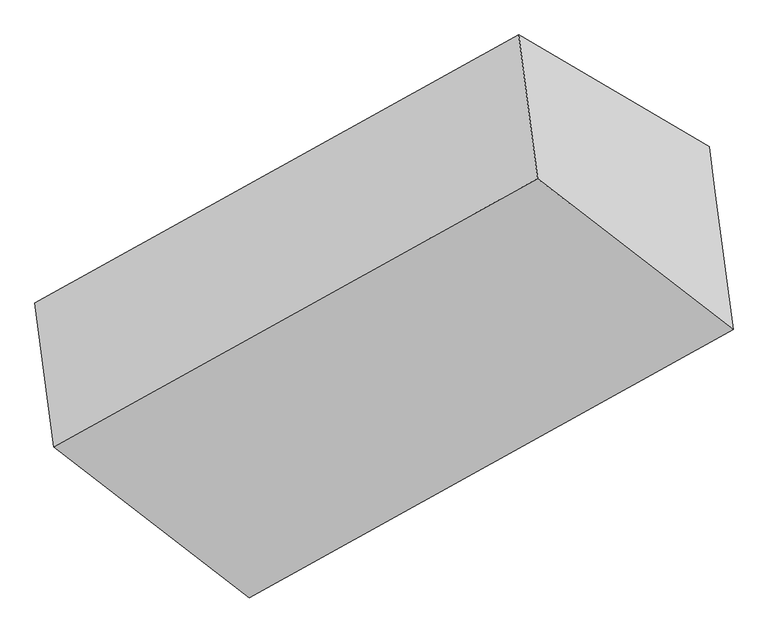
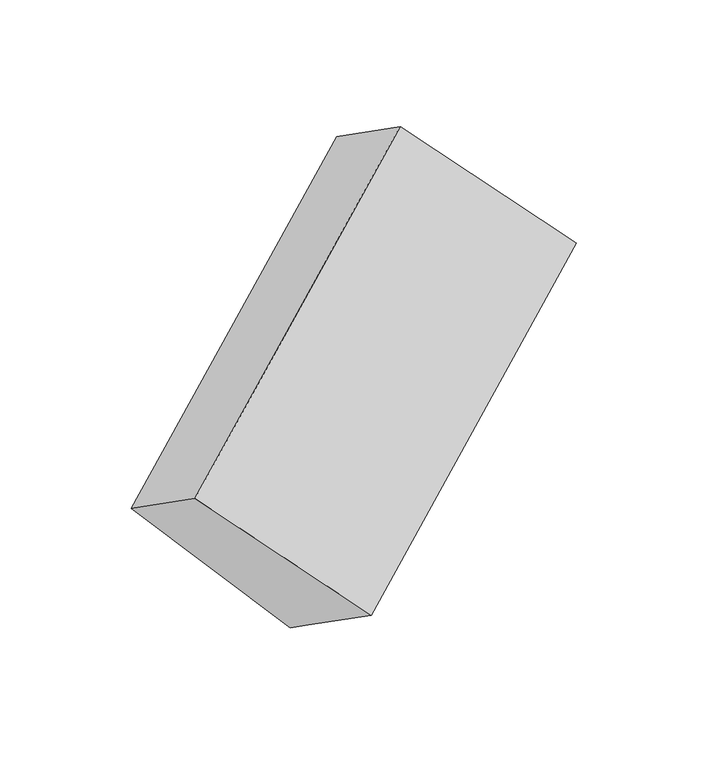
"""IFC4 building model written with IfcOpenShell, lengths in millimetres: proxy geometry."""

from ifc_helpers import new_model, si_unit, origin, place, context, project, spatial, faceted_brep, source, transform, mapped, element, save


def generic_models_14f892ba(model_context):
    return source(origin(), model_context, "Body", "Brep", [
        faceted_brep([(-3779.4123001, -1573.2407014, 1608.4999241), (-3726.3516446, -1977.7672334, 1882.9213137), (-2365.6732113, -1223.6108791, 2723.918194), (-2418.7338668, -819.084347, 2449.4968045), (-3244.5843705, -1887.3663717, 1042.0335535), (-1883.9059373, -1133.2100174, 1883.0304338), (-3229.4764529, -2002.5468847, 1120.1693343), (-1868.7980197, -1248.3905304, 1961.1662146), (-3177.0317855, -2402.3772156, 1391.4049302), (-1816.3533522, -1648.2208613, 2232.4018106)], [[[0, 1, 2, 3]], [[4, 0, 5]], [[6, 4, 5, 7]], [[8, 6, 7, 9]], [[1, 8, 9, 2]], [[7, 5, 3, 2, 9]], [[1, 0, 4, 6, 8]], [[3, 5, 0]]]),
    ])


if __name__ == "__main__":
    model = new_model("IFC4")
    model_context = context("Model", 3, world=origin())
    ifc_project = project(units=[si_unit("LENGTHUNIT", "METRE", prefix="MILLI")], contexts=[model_context])
    site = spatial("IfcSite", under=ifc_project)
    building = spatial("IfcBuilding", under=site)
    placement = place(None, origin())
    generic_models_shape = generic_models_14f892ba(model_context)
    element("IfcBuildingElementProxy", 1, Name="Generic Models", at=placement, inside=building, context=model_context, shape_type="MappedRepresentation", body=[
        mapped(generic_models_shape, transform((0.0, 0.0, 0.0), x_axis=(1.0, 0.0, 0.0), y_axis=(0.0, 1.0, 0.0), z_axis=(0.0, 0.0, 1.0))),
    ])
    save(model, "model.ifc")
